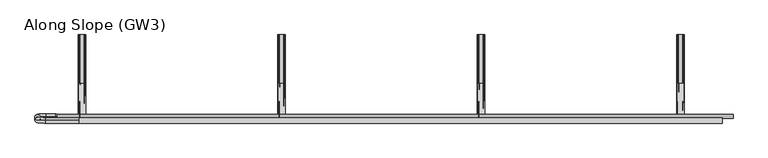
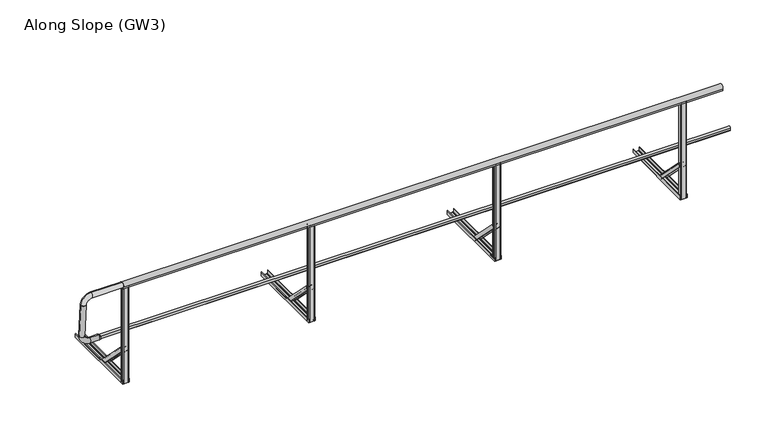
"""IFC4 building model written with IfcOpenShell, lengths in millimetres: railing geometry, Along Slope (GW3)."""

from ifc_helpers import new_model, si_unit, point, frame, frame_2d, origin, origin_with_axes, place, context, project, spatial, polyline, circle_curve, ellipse_curve, trimmed, segment, composite_curve, outline, extrude, source, transform, mapped, element, save
from ifc_brep_helpers import plane_surface, cylinder_surface, revolved_surface, extruded_surface, advanced_brep


def along_slope_gw3_633c4154(model_context):
    return source(origin(), model_context, "Body", "SolidModel", [
        extrude(outline(composite_curve([segment(trimmed(circle_curve(frame_2d((3634.3333333, -795.0)), 5.0), [point((3634.3333333, -800.0))], [point((3629.3333333, -795.0))], False, "CARTESIAN"), True, "CONTINUOUS"), segment(polyline([(3629.3333333, -795.0), (3629.3333333, -767.0)]), True, "CONTINUOUS"), segment(trimmed(circle_curve(frame_2d((3634.3333333, -767.0)), 5.0), [point((3629.3333333, -767.0))], [point((3634.3333333, -762.0))], False, "CARTESIAN"), True, "CONTINUOUS"), segment(polyline([(3634.3333333, -762.0), (3680.3333333, -762.0)]), True, "CONTINUOUS"), segment(trimmed(circle_curve(frame_2d((3680.3333333, -767.0)), 5.0), [point((3680.3333333, -762.0))], [point((3685.3333333, -767.0))], False, "CARTESIAN"), True, "CONTINUOUS"), segment(polyline([(3685.3333333, -767.0), (3685.3333333, -795.0)]), True, "CONTINUOUS"), segment(trimmed(circle_curve(frame_2d((3680.3333333, -795.0)), 5.0), [point((3685.3333333, -795.0))], [point((3680.3333333, -800.0))], False, "CARTESIAN"), True, "CONTINUOUS"), segment(polyline([(3680.3333333, -800.0), (3634.3333333, -800.0)]), True, "CONTINUOUS")], self_intersect=False)), frame((0.0, 0.0, 1e-07), z_axis=(0.0, 0.0, 1.0), x_axis=(1.0, 0.0, 0.0)), (0.0, 0.0, 1.0), 998.0),
        advanced_brep(
        [(3692.8333333, -443.7912606, 38.0000001), (3692.8333333, -469.6006581, 12.1906026), (3689.8333333, -469.6006581, 12.1906026), (3689.8333333, -445.9125809, 35.8786797), (3679.8333333, -445.9125809, 35.8786797), (3679.8333333, -447.6803479, 34.1109128), (3678.8333333, -447.6803479, 34.1109128), (3678.8333333, -445.9125809, 35.8786797), (3641.8333333, -445.9125809, 35.8786797), (3641.8333333, -447.6803479, 34.1109128), (3640.8333333, -447.6803479, 34.1109128), (3640.8333333, -445.9125809, 35.8786797), (3630.8333333, -445.9125809, 35.8786797), (3630.8333333, -469.6006581, 12.1906026), (3627.8333333, -469.6006581, 12.1906026), (3627.8333333, -443.7912606, 38.0000001), (3689.8333333, -761.9893121, 356.1980516), (3624.8333333, -761.9893121, 356.1980516), (3624.8333333, -787.7987096, 330.3886541), (3627.8333333, -787.7987096, 330.3886541), (3627.8333333, -764.1106324, 354.0767313), (3637.8333333, -764.1106324, 354.0767313), (3637.8333333, -765.8783994, 352.3089643), (3638.8333333, -765.8783994, 352.3089643), (3638.8333333, -764.1106324, 354.0767313), (3675.8333333, -764.1106324, 354.0767313), (3675.8333333, -765.8783994, 352.3089643), (3676.8333333, -765.8783994, 352.3089643), (3676.8333333, -764.1106324, 354.0767313), (3686.8333333, -764.1106324, 354.0767313), (3686.8333333, -787.7987096, 330.3886541), (3689.8333333, -787.7987096, 330.3886541)],
        [
            (0, 1),
            (1, 2, circle_curve(frame((3691.3333333, -469.6006581, 12.1906026), z_axis=(0.0, 0.7071067811865529, -0.7071067811865422), x_axis=(0.0, -0.7071067811865422, -0.7071067811865529)), 1.5)),
            (2, 3),
            (3, 4),
            (4, 5),
            (5, 6, circle_curve(frame((3679.3333333, -447.6803479, 34.1109128), z_axis=(0.0, 0.7071067811865529, -0.7071067811865422), x_axis=(0.0, -0.7071067811865422, -0.7071067811865529)), 0.5)),
            (6, 7),
            (7, 8),
            (8, 9),
            (9, 10, circle_curve(frame((3641.3333333, -447.6803479, 34.1109128), z_axis=(0.0, 0.7071067811865529, -0.7071067811865422), x_axis=(0.0, -0.7071067811865422, -0.7071067811865529)), 0.5)),
            (10, 11),
            (11, 12),
            (12, 13),
            (13, 14, circle_curve(frame((3629.3333333, -469.6006581, 12.1906026), z_axis=(0.0, 0.7071067811865529, -0.7071067811865422), x_axis=(0.0, -0.7071067811865422, -0.7071067811865529)), 1.5)),
            (14, 15),
            (15, 0),
            (16, 17),
            (17, 18),
            (18, 19, circle_curve(frame((3626.3333333, -787.7987096, 330.3886541), z_axis=(0.0, -0.7071067811865529, 0.7071067811865422), x_axis=(0.0, -0.7071067811865422, -0.7071067811865529)), 1.5)),
            (19, 20),
            (20, 21),
            (21, 22),
            (22, 23, circle_curve(frame((3638.3333333, -765.8783994, 352.3089643), z_axis=(0.0, -0.7071067811865529, 0.7071067811865422), x_axis=(0.0, -0.7071067811865422, -0.7071067811865529)), 0.5)),
            (23, 24),
            (24, 25),
            (25, 26),
            (26, 27, circle_curve(frame((3676.3333333, -765.8783994, 352.3089643), z_axis=(0.0, -0.7071067811865529, 0.7071067811865422), x_axis=(0.0, -0.7071067811865422, -0.7071067811865529)), 0.5)),
            (27, 28),
            (28, 29),
            (29, 30),
            (30, 31, circle_curve(frame((3688.3333333, -787.7987096, 330.3886541), z_axis=(0.0, -0.7071067811865529, 0.7071067811865422), x_axis=(0.0, -0.7071067811865422, -0.7071067811865529)), 1.5)),
            (31, 16),
            (31, 1),
            (0, 16),
            (30, 2),
            (29, 3),
            (28, 4),
            (27, 5),
            (26, 6),
            (25, 7),
            (24, 8),
            (23, 9),
            (22, 10),
            (21, 11),
            (20, 12),
            (19, 13),
            (18, 14),
            (17, 15),
        ],
        [
            plane_surface(frame((3660.3333333, -452.0113769, 29.7798837), z_axis=(0.0, 0.7071067811865528, -0.7071067811865424), x_axis=(0.0, -0.7071067811865424, -0.7071067811865528))),
            plane_surface(frame((3657.3333333, -770.2094284, 347.9779353), z_axis=(0.0, -0.7071067811865528, 0.7071067811865422), x_axis=(0.0, -0.7071067811865422, -0.7071067811865528))),
            plane_surface(frame((3689.8333333, -774.8940109, 343.2933529), z_axis=(0.9999777785184911, -0.004713940454846682, 0.004713940454842173), x_axis=(0.0, -0.7071067811865424, -0.7071067811865528))),
            extruded_surface(trimmed(circle_curve(frame((3688.3333333, -787.7987096, 330.3886541), z_axis=(0.0, 0.7071067811865529, -0.7071067811865422), x_axis=(0.0, -0.7071067811865422, -0.7071067811865529)), 1.5), [point((3689.8333333, -787.7987096, 330.3886541))], [point((3686.8333333, -787.7987096, 330.3886541))], True, "CARTESIAN"), (3.0, 318.1980515000001, -318.1980515), 450.0099998408851),
            plane_surface(frame((3686.8333333, -775.954671, 342.2326927), z_axis=(-0.9999777785184913, 0.004713940454846682, -0.004713940454842174), x_axis=(0.0, 0.7071067811865425, 0.7071067811865528))),
            plane_surface(frame((3681.8333333, -764.1106324, 354.0767313), z_axis=(0.0, -0.7071067811865427, -0.7071067811865523), x_axis=(-1.0, 0.0, 0.0))),
            plane_surface(frame((3676.8333333, -764.9945159, 353.1928478), z_axis=(0.9999777785184911, -0.0047139404548466575, 0.0047139404548422), x_axis=(0.0, -0.7071067811865461, -0.7071067811865489))),
            extruded_surface(trimmed(circle_curve(frame((3676.3333333, -765.8783994, 352.3089643), z_axis=(0.0, 0.7071067811865529, -0.7071067811865422), x_axis=(0.0, -0.7071067811865422, -0.7071067811865529)), 0.5), [point((3676.8333333, -765.8783994, 352.3089643))], [point((3675.8333333, -765.8783994, 352.3089643))], True, "CARTESIAN"), (3.0, 318.1980515, -318.1980515), 450.00999984088503),
            plane_surface(frame((3675.8333333, -764.9945159, 353.1928478), z_axis=(-0.9999777785184911, 0.004713940454846672, -0.004713940454842214), x_axis=(0.0, 0.7071067811865461, 0.7071067811865489))),
            plane_surface(frame((3657.3333333, -764.1106324, 354.0767313), z_axis=(0.0, -0.7071067811865427, -0.7071067811865523), x_axis=(-1.0, 0.0, 0.0))),
            plane_surface(frame((3638.8333333, -764.9945159, 353.1928478), z_axis=(0.9999777785184911, -0.0047139404548466645, 0.004713940454842207), x_axis=(0.0, -0.7071067811865461, -0.7071067811865489))),
            extruded_surface(trimmed(circle_curve(frame((3638.3333333, -765.8783994, 352.3089643), z_axis=(0.0, 0.7071067811865529, -0.7071067811865422), x_axis=(0.0, -0.7071067811865422, -0.7071067811865529)), 0.5), [point((3638.8333333, -765.8783994, 352.3089643))], [point((3637.8333333, -765.8783994, 352.3089643))], True, "CARTESIAN"), (3.0, 318.1980515, -318.1980515), 450.00999984088503),
            plane_surface(frame((3637.8333333, -764.9945159, 353.1928478), z_axis=(-0.9999777785184911, 0.004713940454846691, -0.004713940454842178), x_axis=(0.0, 0.7071067811865419, 0.7071067811865531))),
            plane_surface(frame((3632.8333333, -764.1106324, 354.0767313), z_axis=(0.0, -0.7071067811865425, -0.7071067811865526), x_axis=(-1.0, 0.0, 0.0))),
            plane_surface(frame((3627.8333333, -775.954671, 342.2326927), z_axis=(0.9999777785184913, -0.00471394045484669, 0.004713940454842181), x_axis=(0.0, -0.7071067811865425, -0.7071067811865528))),
            extruded_surface(trimmed(circle_curve(frame((3626.3333333, -787.7987096, 330.3886541), z_axis=(0.0, 0.7071067811865529, -0.7071067811865422), x_axis=(0.0, -0.7071067811865422, -0.7071067811865529)), 1.5), [point((3627.8333333, -787.7987096, 330.3886541))], [point((3624.8333333, -787.7987096, 330.3886541))], True, "CARTESIAN"), (3.0, 318.1980515000001, -318.1980515), 450.0099998408851),
            plane_surface(frame((3624.8333333, -774.8940109, 343.2933529), z_axis=(-0.9999777785184911, 0.0047139404548466905, -0.004713940454842179), x_axis=(0.0, 0.7071067811865421, 0.7071067811865529))),
            plane_surface(frame((3657.3333333, -761.9893121, 356.1980516), z_axis=(0.0, 0.707106781186543, 0.707106781186552), x_axis=(1.0, 0.0, 0.0))),
        ],
        [
            (0, [[1, 2, 3, 4, 5, 6, 7, 8, 9, 10, 11, 12, 13, 14, 15, 16]]),
            (1, [[17, 18, 19, 20, 21, 22, 23, 24, 25, 26, 27, 28, 29, 30, 31, 32]]),
            (2, [[-32, 33, -1, 34]]),
            (3, [[-31, 35, -2, -33]]),
            (4, [[-30, 36, -3, -35]]),
            (5, [[-29, 37, -4, -36]]),
            (6, [[-28, 38, -5, -37]]),
            (7, [[-27, 39, -6, -38]]),
            (8, [[-26, 40, -7, -39]]),
            (9, [[-25, 41, -8, -40]]),
            (10, [[-24, 42, -9, -41]]),
            (11, [[-23, 43, -10, -42]]),
            (12, [[-22, 44, -11, -43]]),
            (13, [[-21, 45, -12, -44]]),
            (14, [[-20, 46, -13, -45]]),
            (15, [[-19, 47, -14, -46]]),
            (16, [[-18, 48, -15, -47]]),
            (17, [[-17, -34, -16, -48]]),
        ],
    ),
        extrude(outline(composite_curve([segment(polyline([(1e-07, 3689.8333333), (36.5000001, 3689.8333333)]), True, "CONTINUOUS"), segment(trimmed(circle_curve(frame_2d((36.5000001, 3688.3333333)), 1.5), [point((36.5000001, 3689.8333333))], [point((36.5000001, 3686.8333333))], False, "CARTESIAN"), True, "CONTINUOUS"), segment(polyline([(36.5000001, 3686.8333333), (3.0000001, 3686.8333333), (3.0000001, 3676.8333333), (5.5000001, 3676.8333333)]), True, "CONTINUOUS"), segment(trimmed(circle_curve(frame_2d((5.5000001, 3676.3333333)), 0.5), [point((5.5000001, 3676.8333333))], [point((5.5000001, 3675.8333333))], False, "CARTESIAN"), True, "CONTINUOUS"), segment(polyline([(5.5000001, 3675.8333333), (3.0000001, 3675.8333333), (3.0000001, 3638.8333333), (5.5000001, 3638.8333333)]), True, "CONTINUOUS"), segment(trimmed(circle_curve(frame_2d((5.5000001, 3638.3333333)), 0.5), [point((5.5000001, 3638.8333333))], [point((5.5000001, 3637.8333333))], False, "CARTESIAN"), True, "CONTINUOUS"), segment(polyline([(5.5000001, 3637.8333333), (3.0000001, 3637.8333333), (3.0000001, 3627.8333333), (36.5000001, 3627.8333333)]), True, "CONTINUOUS"), segment(trimmed(circle_curve(frame_2d((36.5000001, 3626.3333333)), 1.5), [point((36.5000001, 3627.8333333))], [point((36.5000001, 3624.8333333))], False, "CARTESIAN"), True, "CONTINUOUS"), segment(polyline([(36.5000001, 3624.8333333), (1e-07, 3624.8333333), (1e-07, 3689.8333333)]), True, "CONTINUOUS")], self_intersect=False)), frame((0.0, -800.0, 0.0), z_axis=(0.0, 1.0, 0.0), x_axis=(0.0, 0.0, 1.0)), (0.0, 0.0, 1.0), 800.0),
        extrude(outline(composite_curve([segment(trimmed(circle_curve(frame_2d((1819.6666667, -795.0)), 5.0), [point((1819.6666667, -800.0))], [point((1814.6666667, -795.0))], False, "CARTESIAN"), True, "CONTINUOUS"), segment(polyline([(1814.6666667, -795.0), (1814.6666667, -767.0)]), True, "CONTINUOUS"), segment(trimmed(circle_curve(frame_2d((1819.6666667, -767.0)), 5.0), [point((1814.6666667, -767.0))], [point((1819.6666667, -762.0))], False, "CARTESIAN"), True, "CONTINUOUS"), segment(polyline([(1819.6666667, -762.0), (1865.6666667, -762.0)]), True, "CONTINUOUS"), segment(trimmed(circle_curve(frame_2d((1865.6666667, -767.0)), 5.0), [point((1865.6666667, -762.0))], [point((1870.6666667, -767.0))], False, "CARTESIAN"), True, "CONTINUOUS"), segment(polyline([(1870.6666667, -767.0), (1870.6666667, -795.0)]), True, "CONTINUOUS"), segment(trimmed(circle_curve(frame_2d((1865.6666667, -795.0)), 5.0), [point((1870.6666667, -795.0))], [point((1865.6666667, -800.0))], False, "CARTESIAN"), True, "CONTINUOUS"), segment(polyline([(1865.6666667, -800.0), (1819.6666667, -800.0)]), True, "CONTINUOUS")], self_intersect=False)), origin_with_axes(), (0.0, 0.0, 1.0), 998.0),
        advanced_brep(
        [(1878.1666667, -443.7912606, 38.0), (1878.1666667, -469.6006581, 12.1906025), (1875.1666667, -469.6006581, 12.1906025), (1875.1666667, -445.9125809, 35.8786797), (1865.1666667, -445.9125809, 35.8786797), (1865.1666667, -447.6803479, 34.1109127), (1864.1666667, -447.6803479, 34.1109127), (1864.1666667, -445.9125809, 35.8786797), (1827.1666667, -445.9125809, 35.8786797), (1827.1666667, -447.6803479, 34.1109127), (1826.1666667, -447.6803479, 34.1109127), (1826.1666667, -445.9125809, 35.8786797), (1816.1666667, -445.9125809, 35.8786797), (1816.1666667, -469.6006581, 12.1906025), (1813.1666667, -469.6006581, 12.1906025), (1813.1666667, -443.7912606, 38.0), (1875.1666667, -761.9893121, 356.1980516), (1810.1666667, -761.9893121, 356.1980516), (1810.1666667, -787.7987096, 330.3886541), (1813.1666667, -787.7987096, 330.3886541), (1813.1666667, -764.1106324, 354.0767312), (1823.1666667, -764.1106324, 354.0767312), (1823.1666667, -765.8783994, 352.3089643), (1824.1666667, -765.8783994, 352.3089643), (1824.1666667, -764.1106324, 354.0767312), (1861.1666667, -764.1106324, 354.0767312), (1861.1666667, -765.8783994, 352.3089643), (1862.1666667, -765.8783994, 352.3089643), (1862.1666667, -764.1106324, 354.0767312), (1872.1666667, -764.1106324, 354.0767312), (1872.1666667, -787.7987096, 330.3886541), (1875.1666667, -787.7987096, 330.3886541)],
        [
            (0, 1),
            (1, 2, circle_curve(frame((1876.6666667, -469.6006581, 12.1906025), z_axis=(0.0, 0.7071067811865529, -0.7071067811865422), x_axis=(0.0, -0.7071067811865422, -0.7071067811865529)), 1.5)),
            (2, 3),
            (3, 4),
            (4, 5),
            (5, 6, circle_curve(frame((1864.6666667, -447.6803479, 34.1109127), z_axis=(0.0, 0.7071067811865529, -0.7071067811865422), x_axis=(0.0, -0.7071067811865422, -0.7071067811865529)), 0.5)),
            (6, 7),
            (7, 8),
            (8, 9),
            (9, 10, circle_curve(frame((1826.6666667, -447.6803479, 34.1109127), z_axis=(0.0, 0.7071067811865529, -0.7071067811865422), x_axis=(0.0, -0.7071067811865422, -0.7071067811865529)), 0.5)),
            (10, 11),
            (11, 12),
            (12, 13),
            (13, 14, circle_curve(frame((1814.6666667, -469.6006581, 12.1906025), z_axis=(0.0, 0.7071067811865529, -0.7071067811865422), x_axis=(0.0, -0.7071067811865422, -0.7071067811865529)), 1.5)),
            (14, 15),
            (15, 0),
            (16, 17),
            (17, 18),
            (18, 19, circle_curve(frame((1811.6666667, -787.7987096, 330.3886541), z_axis=(0.0, -0.7071067811865529, 0.7071067811865422), x_axis=(0.0, -0.7071067811865422, -0.7071067811865529)), 1.5)),
            (19, 20),
            (20, 21),
            (21, 22),
            (22, 23, circle_curve(frame((1823.6666667, -765.8783994, 352.3089643), z_axis=(0.0, -0.7071067811865529, 0.7071067811865422), x_axis=(0.0, -0.7071067811865422, -0.7071067811865529)), 0.5)),
            (23, 24),
            (24, 25),
            (25, 26),
            (26, 27, circle_curve(frame((1861.6666667, -765.8783994, 352.3089643), z_axis=(0.0, -0.7071067811865529, 0.7071067811865422), x_axis=(0.0, -0.7071067811865422, -0.7071067811865529)), 0.5)),
            (27, 28),
            (28, 29),
            (29, 30),
            (30, 31, circle_curve(frame((1873.6666667, -787.7987096, 330.3886541), z_axis=(0.0, -0.7071067811865529, 0.7071067811865422), x_axis=(0.0, -0.7071067811865422, -0.7071067811865529)), 1.5)),
            (31, 16),
            (31, 1),
            (0, 16),
            (30, 2),
            (29, 3),
            (28, 4),
            (27, 5),
            (26, 6),
            (25, 7),
            (24, 8),
            (23, 9),
            (22, 10),
            (21, 11),
            (20, 12),
            (19, 13),
            (18, 14),
            (17, 15),
        ],
        [
            plane_surface(frame((1845.6666667, -452.0113769, 29.7798837), z_axis=(0.0, 0.7071067811865528, -0.7071067811865424), x_axis=(0.0, -0.7071067811865424, -0.7071067811865528))),
            plane_surface(frame((1842.6666667, -770.2094284, 347.9779352), z_axis=(0.0, -0.7071067811865528, 0.7071067811865422), x_axis=(0.0, -0.7071067811865422, -0.7071067811865528))),
            plane_surface(frame((1875.1666667, -774.8940109, 343.2933528), z_axis=(0.9999777785184911, -0.004713940454846682, 0.004713940454842173), x_axis=(0.0, -0.7071067811865424, -0.7071067811865528))),
            extruded_surface(trimmed(circle_curve(frame((1873.6666667, -787.7987096, 330.3886541), z_axis=(0.0, 0.7071067811865529, -0.7071067811865422), x_axis=(0.0, -0.7071067811865422, -0.7071067811865529)), 1.5), [point((1875.1666667, -787.7987096, 330.3886541))], [point((1872.1666667, -787.7987096, 330.3886541))], True, "CARTESIAN"), (3.0, 318.1980515000001, -318.1980516), 450.00999991159415),
            plane_surface(frame((1872.1666667, -775.954671, 342.2326927), z_axis=(-0.9999777785184913, 0.004713940454846682, -0.004713940454842174), x_axis=(0.0, 0.7071067811865425, 0.7071067811865528))),
            plane_surface(frame((1867.1666667, -764.1106324, 354.0767312), z_axis=(0.0, -0.7071067811865427, -0.7071067811865523), x_axis=(-1.0, 0.0, 0.0))),
            plane_surface(frame((1862.1666667, -764.9945159, 353.1928478), z_axis=(0.9999777785184911, -0.0047139404548466575, 0.0047139404548422), x_axis=(0.0, -0.7071067811865461, -0.7071067811865489))),
            extruded_surface(trimmed(circle_curve(frame((1861.6666667, -765.8783994, 352.3089643), z_axis=(0.0, 0.7071067811865529, -0.7071067811865422), x_axis=(0.0, -0.7071067811865422, -0.7071067811865529)), 0.5), [point((1862.1666667, -765.8783994, 352.3089643))], [point((1861.1666667, -765.8783994, 352.3089643))], True, "CARTESIAN"), (3.0, 318.1980515, -318.1980516), 450.0099999115941),
            plane_surface(frame((1861.1666667, -764.9945159, 353.1928478), z_axis=(-0.9999777785184911, 0.004713940454846672, -0.004713940454842214), x_axis=(0.0, 0.7071067811865461, 0.7071067811865489))),
            plane_surface(frame((1842.6666667, -764.1106324, 354.0767312), z_axis=(0.0, -0.7071067811865427, -0.7071067811865523), x_axis=(-1.0, 0.0, 0.0))),
            plane_surface(frame((1824.1666667, -764.9945159, 353.1928478), z_axis=(0.9999777785184911, -0.0047139404548466645, 0.004713940454842207), x_axis=(0.0, -0.7071067811865461, -0.7071067811865489))),
            extruded_surface(trimmed(circle_curve(frame((1823.6666667, -765.8783994, 352.3089643), z_axis=(0.0, 0.7071067811865529, -0.7071067811865422), x_axis=(0.0, -0.7071067811865422, -0.7071067811865529)), 0.5), [point((1824.1666667, -765.8783994, 352.3089643))], [point((1823.1666667, -765.8783994, 352.3089643))], True, "CARTESIAN"), (3.0, 318.1980515, -318.1980516), 450.0099999115941),
            plane_surface(frame((1823.1666667, -764.9945159, 353.1928478), z_axis=(-0.9999777785184911, 0.004713940454846691, -0.004713940454842178), x_axis=(0.0, 0.7071067811865419, 0.7071067811865531))),
            plane_surface(frame((1818.1666667, -764.1106324, 354.0767312), z_axis=(0.0, -0.7071067811865425, -0.7071067811865526), x_axis=(-1.0, 0.0, 0.0))),
            plane_surface(frame((1813.1666667, -775.954671, 342.2326927), z_axis=(0.9999777785184913, -0.00471394045484669, 0.004713940454842181), x_axis=(0.0, -0.7071067811865425, -0.7071067811865528))),
            extruded_surface(trimmed(circle_curve(frame((1811.6666667, -787.7987096, 330.3886541), z_axis=(0.0, 0.7071067811865529, -0.7071067811865422), x_axis=(0.0, -0.7071067811865422, -0.7071067811865529)), 1.5), [point((1813.1666667, -787.7987096, 330.3886541))], [point((1810.1666667, -787.7987096, 330.3886541))], True, "CARTESIAN"), (3.0, 318.1980515000001, -318.1980516), 450.00999991159415),
            plane_surface(frame((1810.1666667, -774.8940109, 343.2933528), z_axis=(-0.9999777785184911, 0.0047139404548466905, -0.004713940454842179), x_axis=(0.0, 0.7071067811865421, 0.7071067811865529))),
            plane_surface(frame((1842.6666667, -761.9893121, 356.1980516), z_axis=(0.0, 0.707106781186543, 0.707106781186552), x_axis=(1.0, 0.0, 0.0))),
        ],
        [
            (0, [[1, 2, 3, 4, 5, 6, 7, 8, 9, 10, 11, 12, 13, 14, 15, 16]]),
            (1, [[17, 18, 19, 20, 21, 22, 23, 24, 25, 26, 27, 28, 29, 30, 31, 32]]),
            (2, [[-32, 33, -1, 34]]),
            (3, [[-31, 35, -2, -33]]),
            (4, [[-30, 36, -3, -35]]),
            (5, [[-29, 37, -4, -36]]),
            (6, [[-28, 38, -5, -37]]),
            (7, [[-27, 39, -6, -38]]),
            (8, [[-26, 40, -7, -39]]),
            (9, [[-25, 41, -8, -40]]),
            (10, [[-24, 42, -9, -41]]),
            (11, [[-23, 43, -10, -42]]),
            (12, [[-22, 44, -11, -43]]),
            (13, [[-21, 45, -12, -44]]),
            (14, [[-20, 46, -13, -45]]),
            (15, [[-19, 47, -14, -46]]),
            (16, [[-18, 48, -15, -47]]),
            (17, [[-17, -34, -16, -48]]),
        ],
    ),
        extrude(outline(composite_curve([segment(polyline([(0.0, 1875.1666667), (36.5, 1875.1666667)]), True, "CONTINUOUS"), segment(trimmed(circle_curve(frame_2d((36.5, 1873.6666667)), 1.5), [point((36.5, 1875.1666667))], [point((36.5, 1872.1666667))], False, "CARTESIAN"), True, "CONTINUOUS"), segment(polyline([(36.5, 1872.1666667), (3.0, 1872.1666667), (3.0, 1862.1666667), (5.5, 1862.1666667)]), True, "CONTINUOUS"), segment(trimmed(circle_curve(frame_2d((5.5, 1861.6666667)), 0.5), [point((5.5, 1862.1666667))], [point((5.5, 1861.1666667))], False, "CARTESIAN"), True, "CONTINUOUS"), segment(polyline([(5.5, 1861.1666667), (3.0, 1861.1666667), (3.0, 1824.1666667), (5.5, 1824.1666667)]), True, "CONTINUOUS"), segment(trimmed(circle_curve(frame_2d((5.5, 1823.6666667)), 0.5), [point((5.5, 1824.1666667))], [point((5.5, 1823.1666667))], False, "CARTESIAN"), True, "CONTINUOUS"), segment(polyline([(5.5, 1823.1666667), (3.0, 1823.1666667), (3.0, 1813.1666667), (36.5, 1813.1666667)]), True, "CONTINUOUS"), segment(trimmed(circle_curve(frame_2d((36.5, 1811.6666667)), 1.5), [point((36.5, 1813.1666667))], [point((36.5, 1810.1666667))], False, "CARTESIAN"), True, "CONTINUOUS"), segment(polyline([(36.5, 1810.1666667), (0.0, 1810.1666667), (0.0, 1875.1666667)]), True, "CONTINUOUS")], self_intersect=False)), frame((0.0, -800.0, 0.0), z_axis=(0.0, 1.0, 0.0), x_axis=(0.0, 0.0, 1.0)), (0.0, 0.0, 1.0), 800.0),
        advanced_brep(
        [(-200.0, -746.3, 508.0), (-200.0, -746.3, 548.0), (-210.0, -746.3, 503.0), (-210.0, -746.3, 553.0)],
        [
            (0, 1, circle_curve(frame((-200.0, -746.3, 528.0), z_axis=(1.0, 0.0, 0.0), x_axis=(0.0, 0.0, -1.0)), 20.0)),
            (1, 0, circle_curve(frame((-200.0, -746.3, 528.0), z_axis=(1.0, 0.0, 0.0), x_axis=(0.0, 0.0, 1.0)), 20.0)),
            (2, 3, circle_curve(frame((-210.0, -746.3, 528.0), z_axis=(-1.0, 0.0, 0.0), x_axis=(0.0, 0.0, 1.0)), 25.0)),
            (3, 2, circle_curve(frame((-210.0, -746.3, 528.0), z_axis=(-1.0, 0.0, 0.0), x_axis=(0.0, 0.0, -1.0)), 25.0)),
            (3, 1),
            (0, 2),
        ],
        [
            plane_surface(frame((-200.0, -746.3, 528.0), z_axis=(1.0, 0.0, 0.0), x_axis=(0.0, 1.0, 0.0))),
            plane_surface(frame((-210.0, -746.3, 528.0), z_axis=(-1.0, 0.0, 0.0), x_axis=(0.0, 1.0, 0.0))),
            revolved_surface(polyline([(-200.0, -746.3, 508.0), (-210.0, -746.3, 503.0)]), (-160.0, -746.3, 528.0), (-1.0, 0.0, 0.0)),
            revolved_surface(polyline([(-200.0, -746.3, 548.0), (-210.0, -746.3, 553.0)]), (-160.0, -746.3, 528.0), (-1.0, 0.0, 0.0)),
        ],
        [
            (0, [[1, 2]]),
            (1, [[3, 4]]),
            (2, [[-4, 5, -1, 6]]),
            (3, [[-3, -6, -2, -5]]),
        ],
    ),
        advanced_brep(
        [(0.0, -782.7768095, 1039.936779), (0.0, -779.2231905, 990.063221), (-300.0, -782.7768095, 1039.936779), (-300.0, -779.2231905, 990.063221), (-350.0, -775.6695715, 940.1896629), (-400.0, -775.6695715, 940.1896629), (-400.0, -751.6399996, 602.9446635), (-350.0, -751.6399996, 602.9446635), (-300.0, -748.0863806, 553.0711054), (-300.0, -744.5327616, 503.1975474), (-210.0, -744.5327616, 503.1975474), (-210.0, -748.0863806, 553.0711054)],
        [
            (0, 1, circle_curve(frame((0.0, -781.0, 1015.0), z_axis=(1.0, 0.0, 0.0), x_axis=(0.0, 0.07107238045511574, -0.9974711608545098)), 25.0)),
            (1, 0, circle_curve(frame((0.0, -781.0, 1015.0), z_axis=(1.0, 0.0, 0.0), x_axis=(0.0, 0.07107238045511574, -0.9974711608545098)), 25.0)),
            (0, 2),
            (2, 3, circle_curve(frame((-300.0, -781.0, 1015.0), z_axis=(1.0, 0.0, 0.0), x_axis=(0.0, 0.07107238045511574, -0.9974711608545098)), 25.0)),
            (3, 1),
            (3, 2, circle_curve(frame((-300.0, -781.0, 1015.0), z_axis=(1.0, 0.0, 0.0), x_axis=(0.0, 0.07107238045511574, -0.9974711608545098)), 25.0)),
            (4, 3, circle_curve(frame((-300.0, -775.6695715, 940.1896629), z_axis=(0.0, 0.9974711608545098, 0.07107238045511574), x_axis=(0.0, -0.07107238045511574, 0.9974711608545098)), 50.0)),
            (2, 5, circle_curve(frame((-300.0, -775.6695715, 940.1896629), z_axis=(0.0, -0.9974711608545098, -0.07107238045511574), x_axis=(0.0, -0.07107238045511574, 0.9974711608545098)), 100.0)),
            (5, 4, circle_curve(frame((-375.0, -775.6695715, 940.1896629), z_axis=(0.0, -0.07107238045511574, 0.9974711608545098), x_axis=(1.0000000000000002, 0.0, 0.0)), 25.0)),
            (4, 5, circle_curve(frame((-375.0, -775.6695715, 940.1896629), z_axis=(0.0, -0.07107238045511574, 0.9974711608545098), x_axis=(1.0000000000000002, 0.0, 0.0)), 25.0)),
            (5, 6),
            (6, 7, circle_curve(frame((-375.0, -751.6399996, 602.9446635), z_axis=(0.0, -0.07107238045511577, 0.9974711608545099), x_axis=(1.0, 0.0, 0.0)), 25.0)),
            (7, 4),
            (7, 6, circle_curve(frame((-375.0, -751.6399996, 602.9446635), z_axis=(0.0, -0.07107238045511577, 0.9974711608545099), x_axis=(1.0, 0.0, 0.0)), 25.0)),
            (8, 7, circle_curve(frame((-300.0, -751.6399996, 602.9446635), z_axis=(0.0, 0.9974711608545098, 0.07107238045511574), x_axis=(-1.0, 0.0, 0.0)), 50.0)),
            (6, 9, circle_curve(frame((-300.0, -751.6399996, 602.9446635), z_axis=(0.0, -0.9974711608545098, -0.07107238045511574), x_axis=(-1.0, 0.0, 0.0)), 100.0)),
            (9, 8, circle_curve(frame((-300.0, -746.3095711, 528.1343264), z_axis=(-1.0, 0.0, 0.0), x_axis=(0.0, -0.07107238045511576, 0.9974711608545098)), 25.0)),
            (8, 9, circle_curve(frame((-300.0, -746.3095711, 528.1343264), z_axis=(-1.0, 0.0, 0.0), x_axis=(0.0, -0.07107238045511576, 0.9974711608545098)), 25.0)),
            (10, 11, circle_curve(frame((-210.0, -746.3095711, 528.1343264), z_axis=(1.0, 0.0, 0.0), x_axis=(0.0, -0.07107238045511574, 0.9974711608545098)), 25.0)),
            (11, 10, circle_curve(frame((-210.0, -746.3095711, 528.1343264), z_axis=(1.0, 0.0, 0.0), x_axis=(0.0, -0.07107238045511574, 0.9974711608545098)), 25.0)),
            (9, 10),
            (11, 8),
        ],
        [
            plane_surface(frame((0.0, -782.7768095, 1039.936779), z_axis=(1.0, 0.0, 0.0), x_axis=(0.0, -0.9974711608545098, -0.07107238045511574))),
            cylinder_surface(frame((0.0, -781.0, 1015.0), z_axis=(1.0000000000000002, 0.0, 0.0), x_axis=(0.0, 0.07107238045511574, -0.9974711608545098)), 25.0),
            revolved_surface(trimmed(ellipse_curve(frame((-300.0, -781.0, 1015.0), z_axis=(1.0000000000000002, 0.0, 0.0), x_axis=(0.0, 0.07107238045511574, -0.9974711608545098)), 25.0, 25.0), [point((-300.0, -782.7768095, 1039.936779))], [point((-300.0, -779.2231905, 990.063221))], True, "CARTESIAN"), (-300.0, -775.6695715, 940.1896629), (0.0, -0.9974711608545098, -0.07107238045511574)),
            revolved_surface(trimmed(ellipse_curve(frame((-300.0, -781.0, 1015.0), z_axis=(1.0000000000000002, 0.0, 0.0), x_axis=(0.0, 0.07107238045511574, -0.9974711608545098)), 25.0, 25.0), [point((-300.0, -779.2231905, 990.063221))], [point((-300.0, -782.7768095, 1039.936779))], True, "CARTESIAN"), (-300.0, -775.6695715, 940.1896629), (0.0, -0.9974711608545098, -0.07107238045511574)),
            cylinder_surface(frame((-375.0, -775.6695715, 940.1896629), z_axis=(0.0, -0.07107238045511576, 0.9974711608545097), x_axis=(1.0, 0.0, 0.0)), 25.0),
            revolved_surface(trimmed(ellipse_curve(frame((-375.0, -751.6399996, 602.9446635), z_axis=(0.0, -0.07107238045511577, 0.9974711608545098), x_axis=(1.0, 0.0, 0.0)), 25.0, 25.0), [point((-400.0, -751.6399996, 602.9446635))], [point((-350.0, -751.6399996, 602.9446635))], True, "CARTESIAN"), (-300.0, -751.6399996, 602.9446635), (0.0, -0.9974711608545098, -0.07107238045511574)),
            revolved_surface(trimmed(ellipse_curve(frame((-375.0, -751.6399996, 602.9446635), z_axis=(0.0, -0.07107238045511577, 0.9974711608545098), x_axis=(1.0, 0.0, 0.0)), 25.0, 25.0), [point((-350.0, -751.6399996, 602.9446635))], [point((-400.0, -751.6399996, 602.9446635))], True, "CARTESIAN"), (-300.0, -751.6399996, 602.9446635), (0.0, -0.9974711608545098, -0.07107238045511574)),
            plane_surface(frame((-210.0, -744.5327616, 503.1975474), z_axis=(1.0, 0.0, 0.0), x_axis=(0.0, -0.9974711608545098, -0.07107238045511574))),
            cylinder_surface(frame((-300.0, -746.3095711, 528.1343264), z_axis=(-1.0, 0.0, 0.0), x_axis=(0.0, -0.07107238045511574, 0.9974711608545098)), 25.0),
        ],
        [
            (0, [[1, 2]]),
            (1, [[-1, 3, 4, 5]]),
            (1, [[-2, -5, 6, -3]]),
            (2, [[7, -4, 8, 9]]),
            (3, [[-8, -6, -7, 10]]),
            (4, [[-9, 11, 12, 13]]),
            (4, [[-10, -13, 14, -11]]),
            (5, [[15, -12, 16, 17]]),
            (6, [[-16, -14, -15, 18]]),
            (7, [[19, 20]]),
            (8, [[-17, 21, -20, 22]]),
            (8, [[-18, -22, -19, -21]]),
        ],
    ),
        extrude(outline(composite_curve([segment(trimmed(circle_curve(frame_2d((-746.287505, 528.0)), 20.0), [point((-727.7, 520.617273))], [point((-762.0, 515.6259343))], False, "CARTESIAN"), True, "CONTINUOUS"), segment(polyline([(-762.0, 515.6259343), (-762.0, 540.3740657)]), True, "CONTINUOUS"), segment(trimmed(circle_curve(frame_2d((-746.287505, 528.0)), 20.0), [point((-762.0, 540.3740657))], [point((-727.7, 535.382727))], False, "CARTESIAN"), True, "CONTINUOUS"), segment(polyline([(-727.7, 535.382727), (-731.7, 535.382727), (-731.7, 520.617273), (-727.7, 520.617273)]), True, "CONTINUOUS")], self_intersect=False)), frame((-200.0, 0.0, 0.0), z_axis=(1.0, 0.0, 0.0), x_axis=(0.0, 1.0, 0.0)), (0.0, 0.0, 1.0), 6150.0),
        extrude(outline(composite_curve([segment(trimmed(circle_curve(frame_2d((-781.0, 1015.0)), 25.0), [point((-802.0, 1001.43534))], [point((-760.0, 1001.43534))], False, "CARTESIAN"), True, "CONTINUOUS"), segment(polyline([(-760.0, 1001.43534), (-760.0, 983.0), (-761.0, 983.0), (-761.0, 998.0), (-801.0, 998.0), (-801.0, 983.0), (-802.0, 983.0), (-802.0, 1001.43534)]), True, "CONTINUOUS")], self_intersect=False)), frame((0.0, 0.0, 0.0), z_axis=(1.0, 0.0, 0.0), x_axis=(0.0, 1.0, 0.0)), (0.0, 0.0, 1.0), 5850.0),
        extrude(outline(composite_curve([segment(trimmed(circle_curve(frame_2d((5449.0, -795.0)), 5.0), [point((5449.0, -800.0))], [point((5444.0, -795.0))], False, "CARTESIAN"), True, "CONTINUOUS"), segment(polyline([(5444.0, -795.0), (5444.0, -767.0)]), True, "CONTINUOUS"), segment(trimmed(circle_curve(frame_2d((5449.0, -767.0)), 5.0), [point((5444.0, -767.0))], [point((5449.0, -762.0))], False, "CARTESIAN"), True, "CONTINUOUS"), segment(polyline([(5449.0, -762.0), (5495.0, -762.0)]), True, "CONTINUOUS"), segment(trimmed(circle_curve(frame_2d((5495.0, -767.0)), 5.0), [point((5495.0, -762.0))], [point((5500.0, -767.0))], False, "CARTESIAN"), True, "CONTINUOUS"), segment(polyline([(5500.0, -767.0), (5500.0, -795.0)]), True, "CONTINUOUS"), segment(trimmed(circle_curve(frame_2d((5495.0, -795.0)), 5.0), [point((5500.0, -795.0))], [point((5495.0, -800.0))], False, "CARTESIAN"), True, "CONTINUOUS"), segment(polyline([(5495.0, -800.0), (5449.0, -800.0)]), True, "CONTINUOUS")], self_intersect=False)), origin_with_axes(), (0.0, 0.0, 1.0), 998.0),
        advanced_brep(
        [(5507.5, -443.7912606, 38.0), (5507.5, -469.6006581, 12.1906025), (5504.5, -469.6006581, 12.1906025), (5504.5, -445.9125809, 35.8786797), (5494.5, -445.9125809, 35.8786797), (5494.5, -447.6803479, 34.1109127), (5493.5, -447.6803479, 34.1109127), (5493.5, -445.9125809, 35.8786797), (5456.5, -445.9125809, 35.8786797), (5456.5, -447.6803479, 34.1109127), (5455.5, -447.6803479, 34.1109127), (5455.5, -445.9125809, 35.8786797), (5445.5, -445.9125809, 35.8786797), (5445.5, -469.6006581, 12.1906025), (5442.5, -469.6006581, 12.1906025), (5442.5, -443.7912606, 38.0), (5504.5, -761.9893121, 356.1980516), (5439.5, -761.9893121, 356.1980516), (5439.5, -787.7987096, 330.3886541), (5442.5, -787.7987096, 330.3886541), (5442.5, -764.1106324, 354.0767312), (5452.5, -764.1106324, 354.0767312), (5452.5, -765.8783994, 352.3089643), (5453.5, -765.8783994, 352.3089643), (5453.5, -764.1106324, 354.0767312), (5490.5, -764.1106324, 354.0767312), (5490.5, -765.8783994, 352.3089643), (5491.5, -765.8783994, 352.3089643), (5491.5, -764.1106324, 354.0767312), (5501.5, -764.1106324, 354.0767312), (5501.5, -787.7987096, 330.3886541), (5504.5, -787.7987096, 330.3886541)],
        [
            (0, 1),
            (1, 2, circle_curve(frame((5506.0, -469.6006581, 12.1906025), z_axis=(0.0, 0.7071067811865529, -0.7071067811865422), x_axis=(0.0, -0.7071067811865422, -0.7071067811865529)), 1.5)),
            (2, 3),
            (3, 4),
            (4, 5),
            (5, 6, circle_curve(frame((5494.0, -447.6803479, 34.1109127), z_axis=(0.0, 0.7071067811865529, -0.7071067811865422), x_axis=(0.0, -0.7071067811865422, -0.7071067811865529)), 0.5)),
            (6, 7),
            (7, 8),
            (8, 9),
            (9, 10, circle_curve(frame((5456.0, -447.6803479, 34.1109127), z_axis=(0.0, 0.7071067811865529, -0.7071067811865422), x_axis=(0.0, -0.7071067811865422, -0.7071067811865529)), 0.5)),
            (10, 11),
            (11, 12),
            (12, 13),
            (13, 14, circle_curve(frame((5444.0, -469.6006581, 12.1906025), z_axis=(0.0, 0.7071067811865529, -0.7071067811865422), x_axis=(0.0, -0.7071067811865422, -0.7071067811865529)), 1.5)),
            (14, 15),
            (15, 0),
            (16, 17),
            (17, 18),
            (18, 19, circle_curve(frame((5441.0, -787.7987096, 330.3886541), z_axis=(0.0, -0.7071067811865529, 0.7071067811865422), x_axis=(0.0, -0.7071067811865422, -0.7071067811865529)), 1.5)),
            (19, 20),
            (20, 21),
            (21, 22),
            (22, 23, circle_curve(frame((5453.0, -765.8783994, 352.3089643), z_axis=(0.0, -0.7071067811865529, 0.7071067811865422), x_axis=(0.0, -0.7071067811865422, -0.7071067811865529)), 0.5)),
            (23, 24),
            (24, 25),
            (25, 26),
            (26, 27, circle_curve(frame((5491.0, -765.8783994, 352.3089643), z_axis=(0.0, -0.7071067811865529, 0.7071067811865422), x_axis=(0.0, -0.7071067811865422, -0.7071067811865529)), 0.5)),
            (27, 28),
            (28, 29),
            (29, 30),
            (30, 31, circle_curve(frame((5503.0, -787.7987096, 330.3886541), z_axis=(0.0, -0.7071067811865529, 0.7071067811865422), x_axis=(0.0, -0.7071067811865422, -0.7071067811865529)), 1.5)),
            (31, 16),
            (31, 1),
            (0, 16),
            (30, 2),
            (29, 3),
            (28, 4),
            (27, 5),
            (26, 6),
            (25, 7),
            (24, 8),
            (23, 9),
            (22, 10),
            (21, 11),
            (20, 12),
            (19, 13),
            (18, 14),
            (17, 15),
        ],
        [
            plane_surface(frame((5475.0, -452.0113769, 29.7798837), z_axis=(0.0, 0.7071067811865528, -0.7071067811865424), x_axis=(0.0, -0.7071067811865424, -0.7071067811865528))),
            plane_surface(frame((5472.0, -770.2094284, 347.9779352), z_axis=(0.0, -0.7071067811865528, 0.7071067811865422), x_axis=(0.0, -0.7071067811865422, -0.7071067811865528))),
            plane_surface(frame((5504.5, -774.8940109, 343.2933528), z_axis=(0.9999777785184912, -0.004713940454838001, 0.004713940454842175), x_axis=(0.0, -0.7071067811865424, -0.7071067811865528))),
            extruded_surface(trimmed(circle_curve(frame((5503.0, -787.7987096, 330.3886541), z_axis=(0.0, 0.7071067811865529, -0.7071067811865422), x_axis=(0.0, -0.7071067811865422, -0.7071067811865529)), 1.5), [point((5504.5, -787.7987096, 330.3886541))], [point((5501.5, -787.7987096, 330.3886541))], True, "CARTESIAN"), (3.0, 318.1980515000001, -318.1980516), 450.00999991159415),
            plane_surface(frame((5501.5, -775.954671, 342.2326927), z_axis=(-0.9999777785184913, 0.0047139404548379995, -0.004713940454842174), x_axis=(0.0, 0.7071067811865425, 0.7071067811865528))),
            plane_surface(frame((5496.5, -764.1106324, 354.0767312), z_axis=(0.0, -0.7071067811865427, -0.7071067811865523), x_axis=(-1.0, 0.0, 0.0))),
            plane_surface(frame((5491.5, -764.9945159, 353.1928478), z_axis=(0.9999777785184911, -0.004713940454837976, 0.0047139404548422), x_axis=(0.0, -0.7071067811865461, -0.7071067811865489))),
            extruded_surface(trimmed(circle_curve(frame((5491.0, -765.8783994, 352.3089643), z_axis=(0.0, 0.7071067811865529, -0.7071067811865422), x_axis=(0.0, -0.7071067811865422, -0.7071067811865529)), 0.5), [point((5491.5, -765.8783994, 352.3089643))], [point((5490.5, -765.8783994, 352.3089643))], True, "CARTESIAN"), (3.0, 318.1980515, -318.1980516), 450.0099999115941),
            plane_surface(frame((5490.5, -764.9945159, 353.1928478), z_axis=(-0.9999777785184911, 0.00471394045483799, -0.004713940454842214), x_axis=(0.0, 0.7071067811865461, 0.7071067811865489))),
            plane_surface(frame((5472.0, -764.1106324, 354.0767312), z_axis=(0.0, -0.7071067811865427, -0.7071067811865523), x_axis=(-1.0, 0.0, 0.0))),
            plane_surface(frame((5453.5, -764.9945159, 353.1928478), z_axis=(0.9999777785184911, -0.004713940454837982, 0.004713940454842207), x_axis=(0.0, -0.7071067811865461, -0.7071067811865489))),
            extruded_surface(trimmed(circle_curve(frame((5453.0, -765.8783994, 352.3089643), z_axis=(0.0, 0.7071067811865529, -0.7071067811865422), x_axis=(0.0, -0.7071067811865422, -0.7071067811865529)), 0.5), [point((5453.5, -765.8783994, 352.3089643))], [point((5452.5, -765.8783994, 352.3089643))], True, "CARTESIAN"), (3.0, 318.1980515, -318.1980516), 450.0099999115941),
            plane_surface(frame((5452.5, -764.9945159, 353.1928478), z_axis=(-0.9999777785184911, 0.004713940454838009, -0.004713940454842178), x_axis=(0.0, 0.7071067811865419, 0.7071067811865531))),
            plane_surface(frame((5447.5, -764.1106324, 354.0767312), z_axis=(0.0, -0.7071067811865425, -0.7071067811865526), x_axis=(-1.0, 0.0, 0.0))),
            plane_surface(frame((5442.5, -775.954671, 342.2326927), z_axis=(0.9999777785184913, -0.004713940454838007, 0.004713940454842181), x_axis=(0.0, -0.7071067811865425, -0.7071067811865528))),
            extruded_surface(trimmed(circle_curve(frame((5441.0, -787.7987096, 330.3886541), z_axis=(0.0, 0.7071067811865529, -0.7071067811865422), x_axis=(0.0, -0.7071067811865422, -0.7071067811865529)), 1.5), [point((5442.5, -787.7987096, 330.3886541))], [point((5439.5, -787.7987096, 330.3886541))], True, "CARTESIAN"), (3.0, 318.1980515000001, -318.1980516), 450.00999991159415),
            plane_surface(frame((5439.5, -774.8940109, 343.2933528), z_axis=(-0.9999777785184911, 0.004713940454838008, -0.00471394045484218), x_axis=(0.0, 0.7071067811865421, 0.7071067811865529))),
            plane_surface(frame((5472.0, -761.9893121, 356.1980516), z_axis=(0.0, 0.707106781186543, 0.707106781186552), x_axis=(1.0, 0.0, 0.0))),
        ],
        [
            (0, [[1, 2, 3, 4, 5, 6, 7, 8, 9, 10, 11, 12, 13, 14, 15, 16]]),
            (1, [[17, 18, 19, 20, 21, 22, 23, 24, 25, 26, 27, 28, 29, 30, 31, 32]]),
            (2, [[-32, 33, -1, 34]]),
            (3, [[-31, 35, -2, -33]]),
            (4, [[-30, 36, -3, -35]]),
            (5, [[-29, 37, -4, -36]]),
            (6, [[-28, 38, -5, -37]]),
            (7, [[-27, 39, -6, -38]]),
            (8, [[-26, 40, -7, -39]]),
            (9, [[-25, 41, -8, -40]]),
            (10, [[-24, 42, -9, -41]]),
            (11, [[-23, 43, -10, -42]]),
            (12, [[-22, 44, -11, -43]]),
            (13, [[-21, 45, -12, -44]]),
            (14, [[-20, 46, -13, -45]]),
            (15, [[-19, 47, -14, -46]]),
            (16, [[-18, 48, -15, -47]]),
            (17, [[-17, -34, -16, -48]]),
        ],
    ),
        extrude(outline(composite_curve([segment(polyline([(0.0, 5504.5), (36.5, 5504.5)]), True, "CONTINUOUS"), segment(trimmed(circle_curve(frame_2d((36.5, 5503.0)), 1.5), [point((36.5, 5504.5))], [point((36.5, 5501.5))], False, "CARTESIAN"), True, "CONTINUOUS"), segment(polyline([(36.5, 5501.5), (3.0, 5501.5), (3.0, 5491.5), (5.5, 5491.5)]), True, "CONTINUOUS"), segment(trimmed(circle_curve(frame_2d((5.5, 5491.0)), 0.5), [point((5.5, 5491.5))], [point((5.5, 5490.5))], False, "CARTESIAN"), True, "CONTINUOUS"), segment(polyline([(5.5, 5490.5), (3.0, 5490.5), (3.0, 5453.5), (5.5, 5453.5)]), True, "CONTINUOUS"), segment(trimmed(circle_curve(frame_2d((5.5, 5453.0)), 0.5), [point((5.5, 5453.5))], [point((5.5, 5452.5))], False, "CARTESIAN"), True, "CONTINUOUS"), segment(polyline([(5.5, 5452.5), (3.0, 5452.5), (3.0, 5442.5), (36.5, 5442.5)]), True, "CONTINUOUS"), segment(trimmed(circle_curve(frame_2d((36.5, 5441.0)), 1.5), [point((36.5, 5442.5))], [point((36.5, 5439.5))], False, "CARTESIAN"), True, "CONTINUOUS"), segment(polyline([(36.5, 5439.5), (0.0, 5439.5), (0.0, 5504.5)]), True, "CONTINUOUS")], self_intersect=False)), frame((0.0, -800.0, 0.0), z_axis=(0.0, 1.0, 0.0), x_axis=(0.0, 0.0, 1.0)), (0.0, 0.0, 1.0), 800.0),
        extrude(outline(composite_curve([segment(trimmed(circle_curve(frame_2d((5.0, -795.0)), 5.0), [point((5.0, -800.0))], [point((0.0, -795.0))], False, "CARTESIAN"), True, "CONTINUOUS"), segment(polyline([(0.0, -795.0), (0.0, -767.0)]), True, "CONTINUOUS"), segment(trimmed(circle_curve(frame_2d((5.0, -767.0)), 5.0), [point((0.0, -767.0))], [point((5.0, -762.0))], False, "CARTESIAN"), True, "CONTINUOUS"), segment(polyline([(5.0, -762.0), (51.0, -762.0)]), True, "CONTINUOUS"), segment(trimmed(circle_curve(frame_2d((51.0, -767.0)), 5.0), [point((51.0, -762.0))], [point((56.0, -767.0))], False, "CARTESIAN"), True, "CONTINUOUS"), segment(polyline([(56.0, -767.0), (56.0, -795.0)]), True, "CONTINUOUS"), segment(trimmed(circle_curve(frame_2d((51.0, -795.0)), 5.0), [point((56.0, -795.0))], [point((51.0, -800.0))], False, "CARTESIAN"), True, "CONTINUOUS"), segment(polyline([(51.0, -800.0), (5.0, -800.0)]), True, "CONTINUOUS")], self_intersect=False)), origin_with_axes(), (0.0, 0.0, 1.0), 998.0),
        advanced_brep(
        [(63.5, -443.7912606, 38.0), (63.5, -469.6006581, 12.1906025), (60.5, -469.6006581, 12.1906025), (60.5, -445.9125809, 35.8786797), (50.5, -445.9125809, 35.8786797), (50.5, -447.6803479, 34.1109127), (49.5, -447.6803479, 34.1109127), (49.5, -445.9125809, 35.8786797), (12.5, -445.9125809, 35.8786797), (12.5, -447.6803479, 34.1109127), (11.5, -447.6803479, 34.1109127), (11.5, -445.9125809, 35.8786797), (1.5, -445.9125809, 35.8786797), (1.5, -469.6006581, 12.1906025), (-1.5, -469.6006581, 12.1906025), (-1.5, -443.7912606, 38.0), (60.5, -761.9893121, 356.1980515), (-4.5, -761.9893121, 356.1980515), (-4.5, -787.7987096, 330.388654), (-1.5, -787.7987096, 330.388654), (-1.5, -764.1106324, 354.0767312), (8.5, -764.1106324, 354.0767312), (8.5, -765.8783994, 352.3089642), (9.5, -765.8783994, 352.3089642), (9.5, -764.1106324, 354.0767312), (46.5, -764.1106324, 354.0767312), (46.5, -765.8783994, 352.3089642), (47.5, -765.8783994, 352.3089642), (47.5, -764.1106324, 354.0767312), (57.5, -764.1106324, 354.0767312), (57.5, -787.7987096, 330.388654), (60.5, -787.7987096, 330.388654)],
        [
            (0, 1),
            (1, 2, circle_curve(frame((62.0, -469.6006581, 12.1906025), z_axis=(0.0, 0.7071067811865529, -0.7071067811865422), x_axis=(0.0, -0.7071067811865422, -0.7071067811865529)), 1.5)),
            (2, 3),
            (3, 4),
            (4, 5),
            (5, 6, circle_curve(frame((50.0, -447.6803479, 34.1109127), z_axis=(0.0, 0.7071067811865529, -0.7071067811865422), x_axis=(0.0, -0.7071067811865422, -0.7071067811865529)), 0.5)),
            (6, 7),
            (7, 8),
            (8, 9),
            (9, 10, circle_curve(frame((12.0, -447.6803479, 34.1109127), z_axis=(0.0, 0.7071067811865529, -0.7071067811865422), x_axis=(0.0, -0.7071067811865422, -0.7071067811865529)), 0.5)),
            (10, 11),
            (11, 12),
            (12, 13),
            (13, 14, circle_curve(frame((0.0, -469.6006581, 12.1906025), z_axis=(0.0, 0.7071067811865529, -0.7071067811865422), x_axis=(0.0, -0.7071067811865422, -0.7071067811865529)), 1.5)),
            (14, 15),
            (15, 0),
            (16, 17),
            (17, 18),
            (18, 19, circle_curve(frame((-3.0, -787.7987096, 330.388654), z_axis=(0.0, -0.7071067811865529, 0.7071067811865422), x_axis=(0.0, -0.7071067811865422, -0.7071067811865529)), 1.5)),
            (19, 20),
            (20, 21),
            (21, 22),
            (22, 23, circle_curve(frame((9.0, -765.8783994, 352.3089642), z_axis=(0.0, -0.7071067811865529, 0.7071067811865422), x_axis=(0.0, -0.7071067811865422, -0.7071067811865529)), 0.5)),
            (23, 24),
            (24, 25),
            (25, 26),
            (26, 27, circle_curve(frame((47.0, -765.8783994, 352.3089642), z_axis=(0.0, -0.7071067811865529, 0.7071067811865422), x_axis=(0.0, -0.7071067811865422, -0.7071067811865529)), 0.5)),
            (27, 28),
            (28, 29),
            (29, 30),
            (30, 31, circle_curve(frame((59.0, -787.7987096, 330.388654), z_axis=(0.0, -0.7071067811865529, 0.7071067811865422), x_axis=(0.0, -0.7071067811865422, -0.7071067811865529)), 1.5)),
            (31, 16),
            (31, 1),
            (0, 16),
            (30, 2),
            (29, 3),
            (28, 4),
            (27, 5),
            (26, 6),
            (25, 7),
            (24, 8),
            (23, 9),
            (22, 10),
            (21, 11),
            (20, 12),
            (19, 13),
            (18, 14),
            (17, 15),
        ],
        [
            plane_surface(frame((31.0, -452.0113769, 29.7798837), z_axis=(0.0, 0.7071067811865528, -0.7071067811865424), x_axis=(0.0, -0.7071067811865424, -0.7071067811865528))),
            plane_surface(frame((28.0, -770.2094284, 347.9779352), z_axis=(0.0, -0.7071067811865528, 0.7071067811865422), x_axis=(0.0, -0.7071067811865422, -0.7071067811865528))),
            plane_surface(frame((60.5, -774.8940109, 343.2933528), z_axis=(0.9999777785184911, -0.004713940454845338, 0.004713940454842174), x_axis=(0.0, -0.7071067811865424, -0.7071067811865528))),
            extruded_surface(trimmed(circle_curve(frame((59.0, -787.7987096, 330.388654), z_axis=(0.0, 0.7071067811865529, -0.7071067811865422), x_axis=(0.0, -0.7071067811865422, -0.7071067811865529)), 1.5), [point((60.5, -787.7987096, 330.388654))], [point((57.5, -787.7987096, 330.388654))], True, "CARTESIAN"), (3.0, 318.1980515000001, -318.19805149999996), 450.00999984088503),
            plane_surface(frame((57.5, -775.954671, 342.2326926), z_axis=(-0.9999777785184913, 0.004713940454845338, -0.004713940454842175), x_axis=(0.0, 0.7071067811865425, 0.7071067811865528))),
            plane_surface(frame((52.5, -764.1106324, 354.0767312), z_axis=(0.0, -0.7071067811865427, -0.7071067811865523), x_axis=(-1.0, 0.0, 0.0))),
            plane_surface(frame((47.5, -764.9945159, 353.1928477), z_axis=(0.9999777785184911, -0.004713940454845314, 0.004713940454842201), x_axis=(0.0, -0.7071067811865461, -0.7071067811865489))),
            extruded_surface(trimmed(circle_curve(frame((47.0, -765.8783994, 352.3089642), z_axis=(0.0, 0.7071067811865529, -0.7071067811865422), x_axis=(0.0, -0.7071067811865422, -0.7071067811865529)), 0.5), [point((47.5, -765.8783994, 352.3089642))], [point((46.5, -765.8783994, 352.3089642))], True, "CARTESIAN"), (3.0, 318.1980515, -318.1980515), 450.00999984088503),
            plane_surface(frame((46.5, -764.9945159, 353.1928477), z_axis=(-0.9999777785184911, 0.004713940454845328, -0.004713940454842215), x_axis=(0.0, 0.7071067811865461, 0.7071067811865489))),
            plane_surface(frame((28.0, -764.1106324, 354.0767312), z_axis=(0.0, -0.7071067811865427, -0.7071067811865523), x_axis=(-1.0, 0.0, 0.0))),
            plane_surface(frame((9.5, -764.9945159, 353.1928477), z_axis=(0.9999777785184911, -0.004713940454845321, 0.004713940454842208), x_axis=(0.0, -0.7071067811865461, -0.7071067811865489))),
            extruded_surface(trimmed(circle_curve(frame((9.0, -765.8783994, 352.3089642), z_axis=(0.0, 0.7071067811865529, -0.7071067811865422), x_axis=(0.0, -0.7071067811865422, -0.7071067811865529)), 0.5), [point((9.5, -765.8783994, 352.3089642))], [point((8.5, -765.8783994, 352.3089642))], True, "CARTESIAN"), (3.0, 318.1980515, -318.1980515), 450.00999984088503),
            plane_surface(frame((8.5, -764.9945159, 353.1928477), z_axis=(-0.9999777785184911, 0.004713940454845348, -0.0047139404548421785), x_axis=(0.0, 0.7071067811865419, 0.7071067811865531))),
            plane_surface(frame((3.5, -764.1106324, 354.0767312), z_axis=(0.0, -0.7071067811865425, -0.7071067811865526), x_axis=(-1.0, 0.0, 0.0))),
            plane_surface(frame((-1.5, -775.954671, 342.2326926), z_axis=(0.9999777785184913, -0.004713940454845345, 0.004713940454842182), x_axis=(0.0, -0.7071067811865425, -0.7071067811865528))),
            extruded_surface(trimmed(circle_curve(frame((-3.0, -787.7987096, 330.388654), z_axis=(0.0, 0.7071067811865529, -0.7071067811865422), x_axis=(0.0, -0.7071067811865422, -0.7071067811865529)), 1.5), [point((-1.5, -787.7987096, 330.388654))], [point((-4.5, -787.7987096, 330.388654))], True, "CARTESIAN"), (3.0, 318.1980515000001, -318.19805149999996), 450.00999984088503),
            plane_surface(frame((-4.5, -774.8940109, 343.2933528), z_axis=(-0.9999777785184911, 0.004713940454845347, -0.00471394045484218), x_axis=(0.0, 0.7071067811865421, 0.7071067811865529))),
            plane_surface(frame((28.0, -761.9893121, 356.1980515), z_axis=(0.0, 0.707106781186543, 0.707106781186552), x_axis=(1.0, 0.0, 0.0))),
        ],
        [
            (0, [[1, 2, 3, 4, 5, 6, 7, 8, 9, 10, 11, 12, 13, 14, 15, 16]]),
            (1, [[17, 18, 19, 20, 21, 22, 23, 24, 25, 26, 27, 28, 29, 30, 31, 32]]),
            (2, [[-32, 33, -1, 34]]),
            (3, [[-31, 35, -2, -33]]),
            (4, [[-30, 36, -3, -35]]),
            (5, [[-29, 37, -4, -36]]),
            (6, [[-28, 38, -5, -37]]),
            (7, [[-27, 39, -6, -38]]),
            (8, [[-26, 40, -7, -39]]),
            (9, [[-25, 41, -8, -40]]),
            (10, [[-24, 42, -9, -41]]),
            (11, [[-23, 43, -10, -42]]),
            (12, [[-22, 44, -11, -43]]),
            (13, [[-21, 45, -12, -44]]),
            (14, [[-20, 46, -13, -45]]),
            (15, [[-19, 47, -14, -46]]),
            (16, [[-18, 48, -15, -47]]),
            (17, [[-17, -34, -16, -48]]),
        ],
    ),
        extrude(outline(composite_curve([segment(polyline([(0.0, 60.5), (36.5, 60.5)]), True, "CONTINUOUS"), segment(trimmed(circle_curve(frame_2d((36.5, 59.0)), 1.5), [point((36.5, 60.5))], [point((36.5, 57.5))], False, "CARTESIAN"), True, "CONTINUOUS"), segment(polyline([(36.5, 57.5), (3.0, 57.5), (3.0, 47.5), (5.5, 47.5)]), True, "CONTINUOUS"), segment(trimmed(circle_curve(frame_2d((5.5, 47.0)), 0.5), [point((5.5, 47.5))], [point((5.5, 46.5))], False, "CARTESIAN"), True, "CONTINUOUS"), segment(polyline([(5.5, 46.5), (3.0, 46.5), (3.0, 9.5), (5.5, 9.5)]), True, "CONTINUOUS"), segment(trimmed(circle_curve(frame_2d((5.5, 9.0)), 0.5), [point((5.5, 9.5))], [point((5.5, 8.5))], False, "CARTESIAN"), True, "CONTINUOUS"), segment(polyline([(5.5, 8.5), (3.0, 8.5), (3.0, -1.5), (36.5, -1.5)]), True, "CONTINUOUS"), segment(trimmed(circle_curve(frame_2d((36.5, -3.0)), 1.5), [point((36.5, -1.5))], [point((36.5, -4.5))], False, "CARTESIAN"), True, "CONTINUOUS"), segment(polyline([(36.5, -4.5), (0.0, -4.5), (0.0, 60.5)]), True, "CONTINUOUS")], self_intersect=False)), frame((0.0, -800.0, 0.0), z_axis=(0.0, 1.0, 0.0), x_axis=(0.0, 0.0, 1.0)), (0.0, 0.0, 1.0), 800.0),
    ])


if __name__ == "__main__":
    model = new_model("IFC4")
    model_context = context("Model", 3, world=origin())
    ifc_project = project(units=[si_unit("LENGTHUNIT", "METRE", prefix="MILLI")], contexts=[model_context])
    site = spatial("IfcSite", under=ifc_project)
    building = spatial("IfcBuilding", under=site)
    placement = place(None, origin())
    along_slope_gw3_shape = along_slope_gw3_633c4154(model_context)
    element("IfcRailing", 1, ObjectType="Along Slope (GW3)", at=placement, inside=building, context=model_context, shape_type="MappedRepresentation", body=[
        mapped(along_slope_gw3_shape, transform((0.0, 0.0, 0.0), x_axis=(1.0, 0.0, 0.0), y_axis=(0.0, 1.0, 0.0), z_axis=(0.0, 0.0, 1.0))),
    ])
    save(model, "model.ifc")
